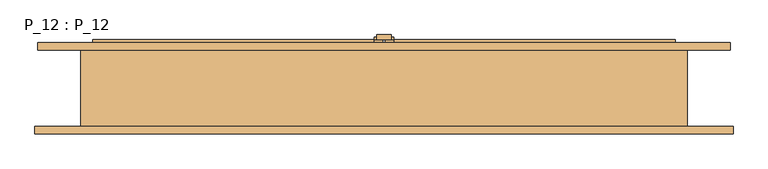
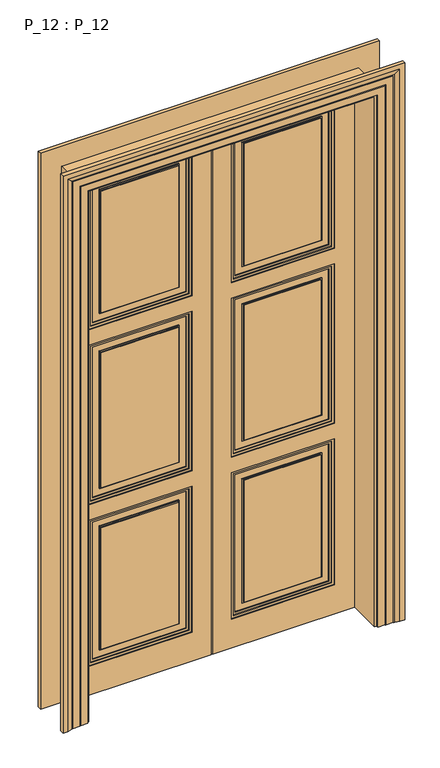
"""IFC4 building model written with IfcOpenShell, lengths in millimetres: door geometry, P_12 : P_12."""

from ifc_helpers import new_model, si_unit, frame, origin, origin_with_axes, place, context, project, spatial, polyline, outline, extrude, faceted_brep, source, transform, mapped, element, save


def p_12_p_12_e30ca358(model_context):
    return source(origin(), model_context, "Body", "SolidModel", [
        extrude(outline(polyline([(15.0, 102.0), (-15.0, 102.0), (-15.0, 112.0), (15.0, 112.0), (15.0, 102.0)])), origin_with_axes(), (0.0, 0.0, 1.0), 2400.0),
        extrude(outline(polyline([(20.0, 102.0), (15.0, 102.0), (15.0, 107.0), (20.0, 107.0), (20.0, 102.0)])), origin_with_axes(), (0.0, 0.0, 1.0), 2400.0),
        extrude(outline(polyline([(-15.0, 102.0), (-20.0, 102.0), (-20.0, 107.0), (-15.0, 107.0), (-15.0, 102.0)])), origin_with_axes(), (0.0, 0.0, 1.0), 2400.0),
        extrude(outline(polyline([(130.0, -525.0), (130.0, -85.0), (790.0, -85.0), (790.0, -525.0), (130.0, -525.0)]), holes=[polyline([(780.0, -95.0), (140.0, -95.0), (140.0, -515.0), (780.0, -515.0), (780.0, -95.0)])]), frame((0.0, 72.0, 0.0), z_axis=(0.0, 1.0, 0.0), x_axis=(0.0, 0.0, 1.0)), (0.0, 0.0, 1.0), 8.0),
        extrude(outline(polyline([(1580.0, -85.0), (1580.0, -525.0), (860.0, -525.0), (860.0, -85.0), (1580.0, -85.0)]), holes=[polyline([(870.0, -95.0), (870.0, -515.0), (1570.0, -515.0), (1570.0, -95.0), (870.0, -95.0)])]), frame((0.0, 72.0, 0.0), z_axis=(0.0, 1.0, 0.0), x_axis=(0.0, 0.0, 1.0)), (0.0, 0.0, 1.0), 8.0),
        extrude(outline(polyline([(1650.0, -85.0), (2310.0, -85.0), (2310.0, -525.0), (1650.0, -525.0), (1650.0, -85.0)]), holes=[polyline([(2300.0, -95.0), (1660.0, -95.0), (1660.0, -515.0), (2300.0, -515.0), (2300.0, -95.0)])]), frame((0.0, 72.0, 0.0), z_axis=(0.0, 1.0, 0.0), x_axis=(0.0, 0.0, 1.0)), (0.0, 0.0, 1.0), 8.0),
        extrude(outline(polyline([(0.0, -610.0), (0.0, -2.5), (2395.0, -2.5), (2395.0, -610.0), (0.0, -610.0)]), holes=[polyline([(130.0, -85.0), (130.0, -525.0), (790.0, -525.0), (790.0, -85.0), (130.0, -85.0)]), polyline([(1650.0, -85.0), (1650.0, -525.0), (2310.0, -525.0), (2310.0, -85.0), (1650.0, -85.0)]), polyline([(1580.0, -525.0), (1580.0, -85.0), (860.0, -85.0), (860.0, -525.0), (1580.0, -525.0)])]), frame((0.0, 68.0, 0.0), z_axis=(0.0, 1.0, 0.0), x_axis=(0.0, 0.0, 1.0)), (0.0, 0.0, 1.0), 12.0),
        extrude(outline(polyline([(130.0, 525.0), (790.0, 525.0), (790.0, 85.0), (130.0, 85.0), (130.0, 525.0)]), holes=[polyline([(780.0, 95.0), (780.0, 515.0), (140.0, 515.0), (140.0, 95.0), (780.0, 95.0)])]), frame((0.0, 72.0, 0.0), z_axis=(0.0, 1.0, 0.0), x_axis=(0.0, 0.0, 1.0)), (0.0, 0.0, 1.0), 8.0),
        extrude(outline(polyline([(1650.0, 85.0), (1650.0, 525.0), (2310.0, 525.0), (2310.0, 85.0), (1650.0, 85.0)]), holes=[polyline([(2300.0, 95.0), (2300.0, 515.0), (1660.0, 515.0), (1660.0, 95.0), (2300.0, 95.0)])]), frame((0.0, 72.0, 0.0), z_axis=(0.0, 1.0, 0.0), x_axis=(0.0, 0.0, 1.0)), (0.0, 0.0, 1.0), 8.0),
        extrude(outline(polyline([(1580.0, 85.0), (860.0, 85.0), (860.0, 525.0), (1580.0, 525.0), (1580.0, 85.0)]), holes=[polyline([(870.0, 95.0), (1570.0, 95.0), (1570.0, 515.0), (870.0, 515.0), (870.0, 95.0)])]), frame((0.0, 72.0, 0.0), z_axis=(0.0, 1.0, 0.0), x_axis=(0.0, 0.0, 1.0)), (0.0, 0.0, 1.0), 8.0),
        extrude(outline(polyline([(0.0, 610.0), (2395.0, 610.0), (2395.0, 2.5), (0.0, 2.5), (0.0, 610.0)]), holes=[polyline([(130.0, 85.0), (790.0, 85.0), (790.0, 525.0), (130.0, 525.0), (130.0, 85.0)]), polyline([(1580.0, 525.0), (860.0, 525.0), (860.0, 85.0), (1580.0, 85.0), (1580.0, 525.0)]), polyline([(1650.0, 85.0), (2310.0, 85.0), (2310.0, 525.0), (1650.0, 525.0), (1650.0, 85.0)])]), frame((0.0, 68.0, 0.0), z_axis=(0.0, 1.0, 0.0), x_axis=(0.0, 0.0, 1.0)), (0.0, 0.0, 1.0), 12.0),
        extrude(outline(polyline([(130.0, -525.0), (130.0, -85.0), (790.0, -85.0), (790.0, -525.0), (130.0, -525.0)]), holes=[polyline([(780.0, -95.0), (140.0, -95.0), (140.0, -515.0), (780.0, -515.0), (780.0, -95.0)])]), frame((0.0, 90.0, 0.0), z_axis=(0.0, 1.0, 0.0), x_axis=(0.0, 0.0, 1.0)), (0.0, 0.0, 1.0), 8.0),
        extrude(outline(polyline([(1650.0, -85.0), (2310.0, -85.0), (2310.0, -525.0), (1650.0, -525.0), (1650.0, -85.0)]), holes=[polyline([(2300.0, -95.0), (1660.0, -95.0), (1660.0, -515.0), (2300.0, -515.0), (2300.0, -95.0)])]), frame((0.0, 90.0, 0.0), z_axis=(0.0, 1.0, 0.0), x_axis=(0.0, 0.0, 1.0)), (0.0, 0.0, 1.0), 8.0),
        extrude(outline(polyline([(1580.0, -85.0), (1580.0, -525.0), (860.0, -525.0), (860.0, -85.0), (1580.0, -85.0)]), holes=[polyline([(870.0, -95.0), (870.0, -515.0), (1570.0, -515.0), (1570.0, -95.0), (870.0, -95.0)])]), frame((0.0, 90.0, 0.0), z_axis=(0.0, 1.0, 0.0), x_axis=(0.0, 0.0, 1.0)), (0.0, 0.0, 1.0), 8.0),
        extrude(outline(polyline([(0.0, -610.0), (0.0, -2.5), (2395.0, -2.5), (2395.0, -610.0), (0.0, -610.0)]), holes=[polyline([(130.0, -85.0), (130.0, -525.0), (790.0, -525.0), (790.0, -85.0), (130.0, -85.0)]), polyline([(1650.0, -85.0), (1650.0, -525.0), (2310.0, -525.0), (2310.0, -85.0), (1650.0, -85.0)]), polyline([(1580.0, -525.0), (1580.0, -85.0), (860.0, -85.0), (860.0, -525.0), (1580.0, -525.0)])]), frame((0.0, 90.0, 0.0), z_axis=(0.0, 1.0, 0.0), x_axis=(0.0, 0.0, 1.0)), (0.0, 0.0, 1.0), 12.0),
        extrude(outline(polyline([(0.0, -615.0), (0.0, -610.0), (2395.0, -610.0), (2395.0, -2.5), (2400.0, -2.5), (2400.0, -615.0), (0.0, -615.0)])), frame((0.0, 90.0, 0.0), z_axis=(0.0, 1.0, 0.0), x_axis=(0.0, 0.0, 1.0)), (0.0, 0.0, 1.0), 5.0),
        extrude(outline(polyline([(-2.5, 80.0), (-615.0, 80.0), (-615.0, 90.0), (-2.5, 90.0), (-2.5, 80.0)])), origin_with_axes(), (0.0, 0.0, 1.0), 2400.0),
        extrude(outline(polyline([(615.0, 80.0), (2.5, 80.0), (2.5, 90.0), (615.0, 90.0), (615.0, 80.0)])), origin_with_axes(), (0.0, 0.0, 1.0), 2400.0),
        extrude(outline(polyline([(130.0, 525.0), (790.0, 525.0), (790.0, 85.0), (130.0, 85.0), (130.0, 525.0)]), holes=[polyline([(780.0, 95.0), (780.0, 515.0), (140.0, 515.0), (140.0, 95.0), (780.0, 95.0)])]), frame((0.0, 90.0, 0.0), z_axis=(0.0, 1.0, 0.0), x_axis=(0.0, 0.0, 1.0)), (0.0, 0.0, 1.0), 8.0),
        extrude(outline(polyline([(1580.0, 85.0), (860.0, 85.0), (860.0, 525.0), (1580.0, 525.0), (1580.0, 85.0)]), holes=[polyline([(870.0, 95.0), (1570.0, 95.0), (1570.0, 515.0), (870.0, 515.0), (870.0, 95.0)])]), frame((0.0, 90.0, 0.0), z_axis=(0.0, 1.0, 0.0), x_axis=(0.0, 0.0, 1.0)), (0.0, 0.0, 1.0), 8.0),
        extrude(outline(polyline([(1650.0, 85.0), (1650.0, 525.0), (2310.0, 525.0), (2310.0, 85.0), (1650.0, 85.0)]), holes=[polyline([(2300.0, 95.0), (2300.0, 515.0), (1660.0, 515.0), (1660.0, 95.0), (2300.0, 95.0)])]), frame((0.0, 90.0, 0.0), z_axis=(0.0, 1.0, 0.0), x_axis=(0.0, 0.0, 1.0)), (0.0, 0.0, 1.0), 8.0),
        faceted_brep([(615.0, 90.0, 0.0), (615.0, 90.0, 2400.0), (2.5, 90.0, 2400.0), (2.5, 90.0, 0.0), (85.0, 90.0, 130.0), (85.0, 90.0, 790.0), (525.0, 90.0, 790.0), (525.0, 90.0, 130.0), (525.0, 90.0, 1580.0), (525.0, 90.0, 860.0), (85.0, 90.0, 860.0), (85.0, 90.0, 1580.0), (85.0, 90.0, 1650.0), (85.0, 90.0, 2310.0), (525.0, 90.0, 2310.0), (525.0, 90.0, 1650.0), (85.0, 102.0, 130.0), (85.0, 102.0, 790.0), (525.0, 102.0, 790.0), (525.0, 102.0, 130.0), (615.0, 95.0, 0.0), (615.0, 95.0, 2400.0), (2.5, 95.0, 2400.0), (2.5, 95.0, 2395.0), (2.5, 102.0, 2395.0), (2.5, 102.0, 0.0), (610.0, 102.0, 0.0), (610.0, 95.0, 0.0), (525.0, 102.0, 1580.0), (525.0, 102.0, 860.0), (85.0, 102.0, 860.0), (85.0, 102.0, 1580.0), (610.0, 102.0, 2395.0), (85.0, 102.0, 1650.0), (525.0, 102.0, 1650.0), (525.0, 102.0, 2310.0), (85.0, 102.0, 2310.0), (610.0, 95.0, 2395.0)], [[[0, 1, 2, 3], [4, 5, 6, 7], [8, 9, 10, 11], [12, 13, 14, 15]], [[5, 4, 16, 17]], [[6, 5, 17, 18]], [[7, 6, 18, 19]], [[4, 7, 19, 16]], [[0, 20, 21, 1]], [[3, 2, 22, 23, 24, 25]], [[0, 3, 25, 26, 27, 20]], [[9, 8, 28, 29]], [[10, 9, 29, 30]], [[11, 10, 30, 31]], [[26, 25, 24, 32], [16, 19, 18, 17], [33, 34, 35, 36], [28, 31, 30, 29]], [[26, 32, 37, 27]], [[20, 27, 37, 23, 22, 21]], [[13, 12, 33, 36]], [[14, 13, 36, 35]], [[15, 14, 35, 34]], [[1, 21, 22, 2]], [[32, 24, 23, 37]], [[12, 15, 34, 33]], [[8, 11, 31, 28]]]),
        faceted_brep([(725.0, 80.0, 0.0), (635.0, 80.0, 0.0), (635.0, -80.0, 0.0), (731.0, -80.0, 0.0), (731.0, -96.0, 0.0), (711.0, -96.0, 0.0), (691.0, -92.0291126, 0.0), (691.0, -91.0291126, 0.0), (686.0, -91.0291126, 0.0), (686.0, -90.0291126, 0.0), (656.0, -90.0291126, 0.0), (656.0, -89.0291126, 0.0), (651.0, -89.0291126, 0.0), (651.0, -88.0291126, 0.0), (621.0, -88.0291126, 0.0), (621.0, -80.0, 0.0), (611.0, -80.0, 0.0), (611.0, 80.0, 0.0), (621.0, 80.0, 0.0), (621.0, 88.0291126, 0.0), (651.0, 88.0291126, 0.0), (651.0, 89.0291126, 0.0), (656.0, 89.0291126, 0.0), (656.0, 90.0291126, 0.0), (680.0, 90.0291126, 0.0), (680.0, 91.0291126, 0.0), (685.0, 91.0291126, 0.0), (685.0, 92.0291126, 0.0), (705.0, 96.0, 0.0), (725.0, 96.0, 0.0), (725.0, 80.0, 2510.0), (-725.0, 80.0, 2510.0), (-725.0, 80.0, 0.0), (-635.0, 80.0, 0.0), (-635.0, 80.0, 2420.0), (635.0, 80.0, 2420.0), (635.0, -80.0, 2420.0), (-635.0, -80.0, 2420.0), (-635.0, -80.0, 0.0), (-731.0, -80.0, 0.0), (-731.0, -80.0, 2516.0), (731.0, -80.0, 2516.0), (731.0, -96.0, 2516.0), (-731.0, -96.0, 2516.0), (-731.0, -96.0, 0.0), (-711.0, -96.0, 0.0), (-711.0, -96.0, 2496.0), (711.0, -96.0, 2496.0), (691.0, -92.0291126, 2476.0), (691.0, -91.0291126, 2476.0), (-691.0, -91.0291126, 2476.0), (-691.0, -91.0291126, 0.0), (-686.0, -91.0291126, 0.0), (-686.0, -91.0291126, 2471.0), (686.0, -91.0291126, 2471.0), (686.0, -90.0291126, 2471.0), (-686.0, -90.0291126, 2471.0), (-686.0, -90.0291126, 0.0), (-656.0, -90.0291126, 0.0), (-656.0, -90.0291126, 2441.0), (656.0, -90.0291126, 2441.0), (656.0, -89.0291126, 2441.0), (-656.0, -89.0291126, 2441.0), (-656.0, -89.0291126, 0.0), (-651.0, -89.0291126, 0.0), (-651.0, -89.0291126, 2436.0), (651.0, -89.0291126, 2436.0), (651.0, -88.0291126, 2436.0), (-651.0, -88.0291126, 2436.0), (-651.0, -88.0291126, 0.0), (-621.0, -88.0291126, 0.0), (-621.0, -88.0291126, 2406.0), (621.0, -88.0291126, 2406.0), (621.0, -80.0, 2406.0), (-621.0, -80.0, 2406.0), (-621.0, -80.0, 0.0), (-611.0, -80.0, 0.0), (-611.0, -80.0, 2396.0), (611.0, -80.0, 2396.0), (611.0, 80.0, 2396.0), (-611.0, 80.0, 2396.0), (-611.0, 80.0, 0.0), (-621.0, 80.0, 0.0), (-621.0, 80.0, 2406.0), (621.0, 80.0, 2406.0), (621.0, 88.0291126, 2406.0), (-621.0, 88.0291126, 2406.0), (-621.0, 88.0291126, 0.0), (-651.0, 88.0291126, 0.0), (-651.0, 88.0291126, 2436.0), (651.0, 88.0291126, 2436.0), (651.0, 89.0291126, 2436.0), (-651.0, 89.0291126, 2436.0), (-651.0, 89.0291126, 0.0), (-656.0, 89.0291126, 0.0), (-656.0, 89.0291126, 2441.0), (656.0, 89.0291126, 2441.0), (656.0, 90.0291126, 2441.0), (-656.0, 90.0291126, 2441.0), (-656.0, 90.0291126, 0.0), (-680.0, 90.0291126, 0.0), (-680.0, 90.0291126, 2465.0), (680.0, 90.0291126, 2465.0), (680.0, 91.0291126, 2465.0), (-680.0, 91.0291126, 2465.0), (-680.0, 91.0291126, 0.0), (-685.0, 91.0291126, 0.0), (-685.0, 91.0291126, 2470.0), (685.0, 91.0291126, 2470.0), (685.0, 92.0291126, 2470.0), (705.0, 96.0, 2490.0), (-705.0, 96.0, 2490.0), (-705.0, 96.0, 0.0), (-725.0, 96.0, 0.0), (-725.0, 96.0, 2510.0), (725.0, 96.0, 2510.0), (-685.0, 92.0291126, 0.0), (-691.0, -92.0291126, 0.0), (-685.0, 92.0291126, 2470.0), (-691.0, -92.0291126, 2476.0)], [[[0, 1, 2, 3, 4, 5, 6, 7, 8, 9, 10, 11, 12, 13, 14, 15, 16, 17, 18, 19, 20, 21, 22, 23, 24, 25, 26, 27, 28, 29]], [[1, 0, 30, 31, 32, 33, 34, 35]], [[2, 1, 35, 36]], [[3, 2, 36, 37, 38, 39, 40, 41]], [[4, 3, 41, 42]], [[5, 4, 42, 43, 44, 45, 46, 47]], [[6, 5, 47, 48]], [[7, 6, 48, 49]], [[8, 7, 49, 50, 51, 52, 53, 54]], [[9, 8, 54, 55]], [[10, 9, 55, 56, 57, 58, 59, 60]], [[11, 10, 60, 61]], [[12, 11, 61, 62, 63, 64, 65, 66]], [[13, 12, 66, 67]], [[14, 13, 67, 68, 69, 70, 71, 72]], [[15, 14, 72, 73]], [[16, 15, 73, 74, 75, 76, 77, 78]], [[17, 16, 78, 79]], [[18, 17, 79, 80, 81, 82, 83, 84]], [[19, 18, 84, 85]], [[20, 19, 85, 86, 87, 88, 89, 90]], [[21, 20, 90, 91]], [[22, 21, 91, 92, 93, 94, 95, 96]], [[23, 22, 96, 97]], [[24, 23, 97, 98, 99, 100, 101, 102]], [[25, 24, 102, 103]], [[26, 25, 103, 104, 105, 106, 107, 108]], [[27, 26, 108, 109]], [[28, 27, 109, 110]], [[29, 28, 110, 111, 112, 113, 114, 115]], [[0, 29, 115, 30]], [[31, 114, 113, 32]], [[32, 113, 112, 116, 106, 105, 100, 99, 94, 93, 88, 87, 82, 81, 76, 75, 70, 69, 64, 63, 58, 57, 52, 51, 117, 45, 44, 39, 38, 33]], [[37, 34, 33, 38]], [[74, 71, 70, 75]], [[80, 77, 76, 81]], [[86, 83, 82, 87]], [[111, 118, 116, 112]], [[118, 107, 106, 116]], [[104, 101, 100, 105]], [[98, 95, 94, 99]], [[92, 89, 88, 93]], [[68, 65, 64, 69]], [[62, 59, 58, 63]], [[56, 53, 52, 57]], [[50, 119, 117, 51]], [[119, 46, 45, 117]], [[43, 40, 39, 44]], [[30, 115, 114, 31]], [[36, 35, 34, 37]], [[73, 72, 71, 74]], [[79, 78, 77, 80]], [[85, 84, 83, 86]], [[91, 90, 89, 92]], [[97, 96, 95, 98]], [[103, 102, 101, 104]], [[109, 108, 107, 118]], [[110, 109, 118, 111]], [[42, 41, 40, 43]], [[48, 47, 46, 119]], [[49, 48, 119, 50]], [[55, 54, 53, 56]], [[61, 60, 59, 62]], [[67, 66, 65, 68]]]),
        extrude(outline(polyline([(-470.0, 80.0), (-140.0, 80.0), (-140.0, 72.0), (-470.0, 72.0), (-470.0, 80.0)])), frame((0.0, 0.0, 185.0), z_axis=(0.0, 0.0, 1.0), x_axis=(1.0, 0.0, 0.0)), (0.0, 0.0, 1.0), 550.0),
        extrude(outline(polyline([(-470.0, 80.0), (-140.0, 80.0), (-140.0, 72.0), (-470.0, 72.0), (-470.0, 80.0)])), frame((0.0, 0.0, 915.0), z_axis=(0.0, 0.0, 1.0), x_axis=(1.0, 0.0, 0.0)), (0.0, 0.0, 1.0), 610.0),
        extrude(outline(polyline([(-470.0, 80.0), (-140.0, 80.0), (-140.0, 72.0), (-470.0, 72.0), (-470.0, 80.0)])), frame((0.0, 0.0, 1705.0), z_axis=(0.0, 0.0, 1.0), x_axis=(1.0, 0.0, 0.0)), (0.0, 0.0, 1.0), 550.0),
        extrude(outline(polyline([(780.0, -95.0), (780.0, -515.0), (140.0, -515.0), (140.0, -95.0), (780.0, -95.0)]), holes=[polyline([(770.0, -105.0), (150.0, -105.0), (150.0, -505.0), (770.0, -505.0), (770.0, -105.0)])]), frame((0.0, 76.0, 0.0), z_axis=(0.0, 1.0, 0.0), x_axis=(0.0, 0.0, 1.0)), (0.0, 0.0, 1.0), 4.0),
        extrude(outline(polyline([(740.0, -135.0), (740.0, -475.0), (180.0, -475.0), (180.0, -135.0), (740.0, -135.0)]), holes=[polyline([(735.0, -140.0), (185.0, -140.0), (185.0, -470.0), (735.0, -470.0), (735.0, -140.0)])]), frame((0.0, 76.0, 0.0), z_axis=(0.0, 1.0, 0.0), x_axis=(0.0, 0.0, 1.0)), (0.0, 0.0, 1.0), 4.0),
        extrude(outline(polyline([(2300.0, -95.0), (2300.0, -515.0), (1660.0, -515.0), (1660.0, -95.0), (2300.0, -95.0)]), holes=[polyline([(2290.0, -105.0), (1670.0, -105.0), (1670.0, -505.0), (2290.0, -505.0), (2290.0, -105.0)])]), frame((0.0, 76.0, 0.0), z_axis=(0.0, 1.0, 0.0), x_axis=(0.0, 0.0, 1.0)), (0.0, 0.0, 1.0), 4.0),
        extrude(outline(polyline([(1570.0, -95.0), (1570.0, -515.0), (870.0, -515.0), (870.0, -95.0), (1570.0, -95.0)]), holes=[polyline([(1560.0, -105.0), (880.0, -105.0), (880.0, -505.0), (1560.0, -505.0), (1560.0, -105.0)])]), frame((0.0, 76.0, 0.0), z_axis=(0.0, 1.0, 0.0), x_axis=(0.0, 0.0, 1.0)), (0.0, 0.0, 1.0), 4.0),
        extrude(outline(polyline([(1530.0, -135.0), (1530.0, -475.0), (910.0, -475.0), (910.0, -135.0), (1530.0, -135.0)]), holes=[polyline([(1525.0, -140.0), (915.0, -140.0), (915.0, -470.0), (1525.0, -470.0), (1525.0, -140.0)])]), frame((0.0, 76.0, 0.0), z_axis=(0.0, 1.0, 0.0), x_axis=(0.0, 0.0, 1.0)), (0.0, 0.0, 1.0), 4.0),
        extrude(outline(polyline([(2260.0, -135.0), (2260.0, -475.0), (1700.0, -475.0), (1700.0, -135.0), (2260.0, -135.0)]), holes=[polyline([(2255.0, -140.0), (1705.0, -140.0), (1705.0, -470.0), (2255.0, -470.0), (2255.0, -140.0)])]), frame((0.0, 76.0, 0.0), z_axis=(0.0, 1.0, 0.0), x_axis=(0.0, 0.0, 1.0)), (0.0, 0.0, 1.0), 4.0),
        extrude(outline(polyline([(140.0, 80.0), (470.0, 80.0), (470.0, 72.0), (140.0, 72.0), (140.0, 80.0)])), frame((0.0, 0.0, 185.0), z_axis=(0.0, 0.0, 1.0), x_axis=(1.0, 0.0, 0.0)), (0.0, 0.0, 1.0), 550.0),
        extrude(outline(polyline([(140.0, 80.0), (470.0, 80.0), (470.0, 72.0), (140.0, 72.0), (140.0, 80.0)])), frame((0.0, 0.0, 915.0), z_axis=(0.0, 0.0, 1.0), x_axis=(1.0, 0.0, 0.0)), (0.0, 0.0, 1.0), 610.0),
        extrude(outline(polyline([(140.0, 80.0), (470.0, 80.0), (470.0, 72.0), (140.0, 72.0), (140.0, 80.0)])), frame((0.0, 0.0, 1705.0), z_axis=(0.0, 0.0, 1.0), x_axis=(1.0, 0.0, 0.0)), (0.0, 0.0, 1.0), 550.0),
        extrude(outline(polyline([(780.0, 95.0), (140.0, 95.0), (140.0, 515.0), (780.0, 515.0), (780.0, 95.0)]), holes=[polyline([(770.0, 105.0), (770.0, 505.0), (150.0, 505.0), (150.0, 105.0), (770.0, 105.0)])]), frame((0.0, 76.0, 0.0), z_axis=(0.0, 1.0, 0.0), x_axis=(0.0, 0.0, 1.0)), (0.0, 0.0, 1.0), 4.0),
        extrude(outline(polyline([(740.0, 135.0), (180.0, 135.0), (180.0, 475.0), (740.0, 475.0), (740.0, 135.0)]), holes=[polyline([(735.0, 140.0), (735.0, 470.0), (185.0, 470.0), (185.0, 140.0), (735.0, 140.0)])]), frame((0.0, 76.0, 0.0), z_axis=(0.0, 1.0, 0.0), x_axis=(0.0, 0.0, 1.0)), (0.0, 0.0, 1.0), 4.0),
        extrude(outline(polyline([(1570.0, 95.0), (870.0, 95.0), (870.0, 515.0), (1570.0, 515.0), (1570.0, 95.0)]), holes=[polyline([(1560.0, 105.0), (1560.0, 505.0), (880.0, 505.0), (880.0, 105.0), (1560.0, 105.0)])]), frame((0.0, 76.0, 0.0), z_axis=(0.0, 1.0, 0.0), x_axis=(0.0, 0.0, 1.0)), (0.0, 0.0, 1.0), 4.0),
        extrude(outline(polyline([(1530.0, 135.0), (910.0, 135.0), (910.0, 475.0), (1530.0, 475.0), (1530.0, 135.0)]), holes=[polyline([(1525.0, 140.0), (1525.0, 470.0), (915.0, 470.0), (915.0, 140.0), (1525.0, 140.0)])]), frame((0.0, 76.0, 0.0), z_axis=(0.0, 1.0, 0.0), x_axis=(0.0, 0.0, 1.0)), (0.0, 0.0, 1.0), 4.0),
        extrude(outline(polyline([(2300.0, 95.0), (1660.0, 95.0), (1660.0, 515.0), (2300.0, 515.0), (2300.0, 95.0)]), holes=[polyline([(2290.0, 105.0), (2290.0, 505.0), (1670.0, 505.0), (1670.0, 105.0), (2290.0, 105.0)])]), frame((0.0, 76.0, 0.0), z_axis=(0.0, 1.0, 0.0), x_axis=(0.0, 0.0, 1.0)), (0.0, 0.0, 1.0), 4.0),
        extrude(outline(polyline([(2260.0, 135.0), (1700.0, 135.0), (1700.0, 475.0), (2260.0, 475.0), (2260.0, 135.0)]), holes=[polyline([(2255.0, 140.0), (2255.0, 470.0), (1705.0, 470.0), (1705.0, 140.0), (2255.0, 140.0)])]), frame((0.0, 76.0, 0.0), z_axis=(0.0, 1.0, 0.0), x_axis=(0.0, 0.0, 1.0)), (0.0, 0.0, 1.0), 4.0),
        extrude(outline(polyline([(-140.0, 90.0), (-470.0, 90.0), (-470.0, 98.0), (-140.0, 98.0), (-140.0, 90.0)])), frame((0.0, 0.0, 185.0), z_axis=(0.0, 0.0, 1.0), x_axis=(1.0, 0.0, 0.0)), (0.0, 0.0, 1.0), 550.0),
        extrude(outline(polyline([(-140.0, 90.0), (-470.0, 90.0), (-470.0, 98.0), (-140.0, 98.0), (-140.0, 90.0)])), frame((0.0, 0.0, 915.0), z_axis=(0.0, 0.0, 1.0), x_axis=(1.0, 0.0, 0.0)), (0.0, 0.0, 1.0), 610.0),
        extrude(outline(polyline([(-140.0, 90.0), (-470.0, 90.0), (-470.0, 98.0), (-140.0, 98.0), (-140.0, 90.0)])), frame((0.0, 0.0, 1705.0), z_axis=(0.0, 0.0, 1.0), x_axis=(1.0, 0.0, 0.0)), (0.0, 0.0, 1.0), 550.0),
        extrude(outline(polyline([(780.0, -95.0), (780.0, -515.0), (140.0, -515.0), (140.0, -95.0), (780.0, -95.0)]), holes=[polyline([(770.0, -105.0), (150.0, -105.0), (150.0, -505.0), (770.0, -505.0), (770.0, -105.0)])]), frame((0.0, 90.0, 0.0), z_axis=(0.0, 1.0, 0.0), x_axis=(0.0, 0.0, 1.0)), (0.0, 0.0, 1.0), 4.0),
        extrude(outline(polyline([(740.0, -135.0), (740.0, -475.0), (180.0, -475.0), (180.0, -135.0), (740.0, -135.0)]), holes=[polyline([(735.0, -140.0), (185.0, -140.0), (185.0, -470.0), (735.0, -470.0), (735.0, -140.0)])]), frame((0.0, 90.0, 0.0), z_axis=(0.0, 1.0, 0.0), x_axis=(0.0, 0.0, 1.0)), (0.0, 0.0, 1.0), 4.0),
        extrude(outline(polyline([(1570.0, -95.0), (1570.0, -515.0), (870.0, -515.0), (870.0, -95.0), (1570.0, -95.0)]), holes=[polyline([(1560.0, -105.0), (880.0, -105.0), (880.0, -505.0), (1560.0, -505.0), (1560.0, -105.0)])]), frame((0.0, 90.0, 0.0), z_axis=(0.0, 1.0, 0.0), x_axis=(0.0, 0.0, 1.0)), (0.0, 0.0, 1.0), 4.0),
        extrude(outline(polyline([(1530.0, -135.0), (1530.0, -475.0), (910.0, -475.0), (910.0, -135.0), (1530.0, -135.0)]), holes=[polyline([(1525.0, -140.0), (915.0, -140.0), (915.0, -470.0), (1525.0, -470.0), (1525.0, -140.0)])]), frame((0.0, 90.0, 0.0), z_axis=(0.0, 1.0, 0.0), x_axis=(0.0, 0.0, 1.0)), (0.0, 0.0, 1.0), 4.0),
        extrude(outline(polyline([(2300.0, -95.0), (2300.0, -515.0), (1660.0, -515.0), (1660.0, -95.0), (2300.0, -95.0)]), holes=[polyline([(2290.0, -105.0), (1670.0, -105.0), (1670.0, -505.0), (2290.0, -505.0), (2290.0, -105.0)])]), frame((0.0, 90.0, 0.0), z_axis=(0.0, 1.0, 0.0), x_axis=(0.0, 0.0, 1.0)), (0.0, 0.0, 1.0), 4.0),
        extrude(outline(polyline([(2260.0, -135.0), (2260.0, -475.0), (1700.0, -475.0), (1700.0, -135.0), (2260.0, -135.0)]), holes=[polyline([(2255.0, -140.0), (1705.0, -140.0), (1705.0, -470.0), (2255.0, -470.0), (2255.0, -140.0)])]), frame((0.0, 90.0, 0.0), z_axis=(0.0, 1.0, 0.0), x_axis=(0.0, 0.0, 1.0)), (0.0, 0.0, 1.0), 4.0),
        extrude(outline(polyline([(470.0, 90.0), (140.0, 90.0), (140.0, 98.0), (470.0, 98.0), (470.0, 90.0)])), frame((0.0, 0.0, 185.0), z_axis=(0.0, 0.0, 1.0), x_axis=(1.0, 0.0, 0.0)), (0.0, 0.0, 1.0), 550.0),
        extrude(outline(polyline([(470.0, 90.0), (140.0, 90.0), (140.0, 98.0), (470.0, 98.0), (470.0, 90.0)])), frame((0.0, 0.0, 915.0), z_axis=(0.0, 0.0, 1.0), x_axis=(1.0, 0.0, 0.0)), (0.0, 0.0, 1.0), 610.0),
        extrude(outline(polyline([(470.0, 90.0), (140.0, 90.0), (140.0, 98.0), (470.0, 98.0), (470.0, 90.0)])), frame((0.0, 0.0, 1705.0), z_axis=(0.0, 0.0, 1.0), x_axis=(1.0, 0.0, 0.0)), (0.0, 0.0, 1.0), 550.0),
        extrude(outline(polyline([(780.0, 95.0), (140.0, 95.0), (140.0, 515.0), (780.0, 515.0), (780.0, 95.0)]), holes=[polyline([(770.0, 105.0), (770.0, 505.0), (150.0, 505.0), (150.0, 105.0), (770.0, 105.0)])]), frame((0.0, 90.0, 0.0), z_axis=(0.0, 1.0, 0.0), x_axis=(0.0, 0.0, 1.0)), (0.0, 0.0, 1.0), 4.0),
        extrude(outline(polyline([(740.0, 135.0), (180.0, 135.0), (180.0, 475.0), (740.0, 475.0), (740.0, 135.0)]), holes=[polyline([(735.0, 140.0), (735.0, 470.0), (185.0, 470.0), (185.0, 140.0), (735.0, 140.0)])]), frame((0.0, 90.0, 0.0), z_axis=(0.0, 1.0, 0.0), x_axis=(0.0, 0.0, 1.0)), (0.0, 0.0, 1.0), 4.0),
        extrude(outline(polyline([(2300.0, 95.0), (1660.0, 95.0), (1660.0, 515.0), (2300.0, 515.0), (2300.0, 95.0)]), holes=[polyline([(2290.0, 105.0), (2290.0, 505.0), (1670.0, 505.0), (1670.0, 105.0), (2290.0, 105.0)])]), frame((0.0, 90.0, 0.0), z_axis=(0.0, 1.0, 0.0), x_axis=(0.0, 0.0, 1.0)), (0.0, 0.0, 1.0), 4.0),
        extrude(outline(polyline([(1570.0, 95.0), (870.0, 95.0), (870.0, 515.0), (1570.0, 515.0), (1570.0, 95.0)]), holes=[polyline([(1560.0, 105.0), (1560.0, 505.0), (880.0, 505.0), (880.0, 105.0), (1560.0, 105.0)])]), frame((0.0, 90.0, 0.0), z_axis=(0.0, 1.0, 0.0), x_axis=(0.0, 0.0, 1.0)), (0.0, 0.0, 1.0), 4.0),
        extrude(outline(polyline([(1530.0, 135.0), (910.0, 135.0), (910.0, 475.0), (1530.0, 475.0), (1530.0, 135.0)]), holes=[polyline([(1525.0, 140.0), (1525.0, 470.0), (915.0, 470.0), (915.0, 140.0), (1525.0, 140.0)])]), frame((0.0, 90.0, 0.0), z_axis=(0.0, 1.0, 0.0), x_axis=(0.0, 0.0, 1.0)), (0.0, 0.0, 1.0), 4.0),
        extrude(outline(polyline([(2260.0, 135.0), (1700.0, 135.0), (1700.0, 475.0), (2260.0, 475.0), (2260.0, 135.0)]), holes=[polyline([(2255.0, 140.0), (2255.0, 470.0), (1705.0, 470.0), (1705.0, 140.0), (2255.0, 140.0)])]), frame((0.0, 90.0, 0.0), z_axis=(0.0, 1.0, 0.0), x_axis=(0.0, 0.0, 1.0)), (0.0, 0.0, 1.0), 4.0),
        extrude(outline(polyline([(2.5, 102.0), (20.0, 102.0), (20.0, 95.0), (2.5, 95.0), (2.5, 102.0)])), frame((0.0, 0.0, 2395.0), z_axis=(0.0, 0.0, 1.0), x_axis=(1.0, 0.0, 0.0)), (0.0, 0.0, 1.0), 5.0),
        extrude(outline(polyline([(-2.5, 102.0), (-2.5, 95.0), (-20.0, 95.0), (-20.0, 102.0), (-2.5, 102.0)])), frame((0.0, 0.0, 2395.0), z_axis=(0.0, 0.0, 1.0), x_axis=(1.0, 0.0, 0.0)), (0.0, 0.0, 1.0), 5.0),
    ])


if __name__ == "__main__":
    model = new_model("IFC4")
    model_context = context("Model", 3, world=origin())
    ifc_project = project(units=[si_unit("LENGTHUNIT", "METRE", prefix="MILLI")], contexts=[model_context])
    site = spatial("IfcSite", under=ifc_project)
    building = spatial("IfcBuilding", under=site)
    placement = place(None, origin())
    p_12_p_12_shape = p_12_p_12_e30ca358(model_context)
    element("IfcDoor", 1, ObjectType="P_12 : P_12", at=placement, inside=building, context=model_context, shape_type="MappedRepresentation", body=[
        mapped(p_12_p_12_shape, transform((0.0, 0.0, 0.0), x_axis=(1.0, 0.0, 0.0), y_axis=(0.0, 1.0, 0.0), z_axis=(0.0, 0.0, 1.0))),
    ])
    save(model, "model.ifc")
